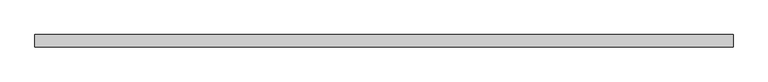
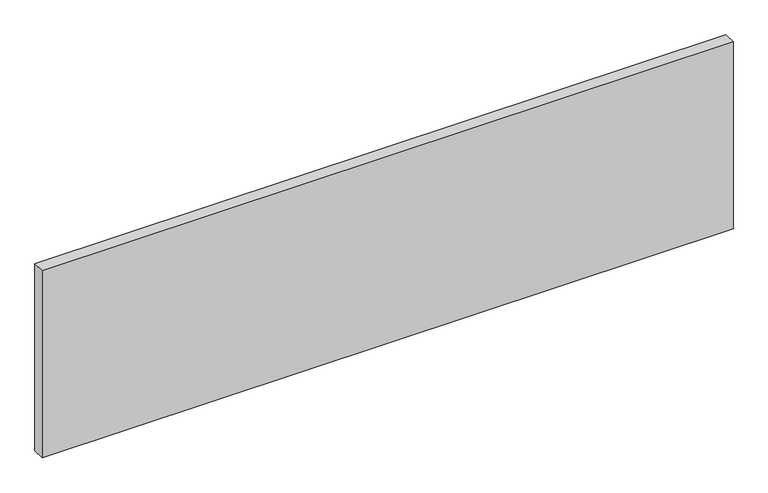
"""IFC4 building model written with IfcOpenShell, lengths in millimetres: plate geometry."""

from ifc_helpers import new_model, si_unit, origin, origin_with_axes, place, context, project, spatial, polyline, outline, extrude, source, transform, mapped, element, save


def plate_750a9cc7(model_context):
    return source(origin(), model_context, "Body", "SweptSolid", [
        extrude(outline(polyline([(700.0, 24.5), (-700.0, 24.5), (-700.0, 49.5), (700.0, 49.5), (700.0, 24.5)])), origin_with_axes(), (0.0, 0.0, 1.0), 400.0),
    ])


if __name__ == "__main__":
    model = new_model("IFC4")
    model_context = context("Model", 3, world=origin())
    ifc_project = project(units=[si_unit("LENGTHUNIT", "METRE", prefix="MILLI")], contexts=[model_context])
    site = spatial("IfcSite", under=ifc_project)
    building = spatial("IfcBuilding", under=site)
    placement = place(None, origin())
    plate_shape = plate_750a9cc7(model_context)
    element("IfcPlate", 1, at=placement, inside=building, context=model_context, shape_type="MappedRepresentation", body=[
        mapped(plate_shape, transform((0.0, 0.0, 0.0), x_axis=(1.0, 0.0, 0.0), y_axis=(0.0, 1.0, 0.0), z_axis=(0.0, 0.0, 1.0))),
    ])
    save(model, "model.ifc")
